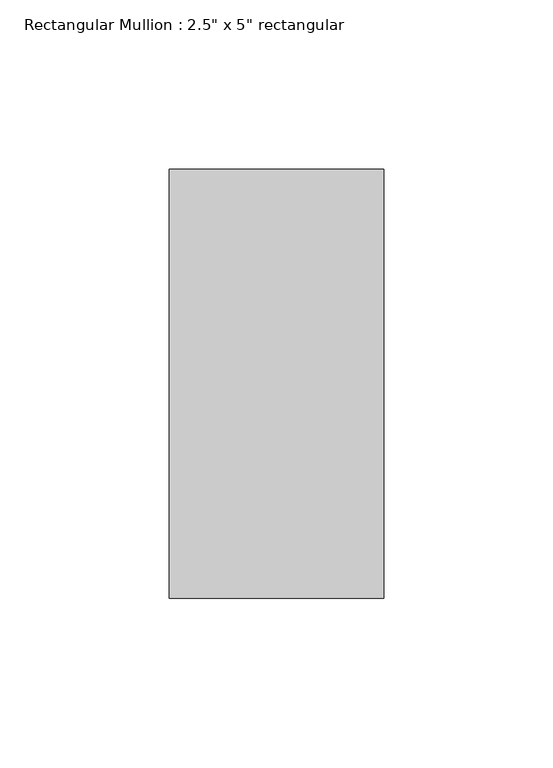
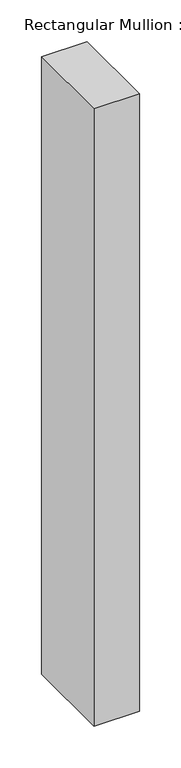
"""IFC4 building model written with IfcOpenShell, lengths in millimetres: member geometry."""

from ifc_helpers import new_model, si_unit, frame, origin, place, context, project, spatial, polyline, outline, extrude, source, transform, mapped, element, save


def member_17752cef(model_context):
    return source(origin(), model_context, "Body", "SweptSolid", [
        extrude(outline(polyline([(0.0, 63.5), (0.0, -63.5), (-63.5, -63.5), (-63.5, 63.5), (0.0, 63.5)])), frame((0.0, 0.0, -908.05), z_axis=(0.0, 0.0, 1.0), x_axis=(1.0, 0.0, 0.0)), (0.0, 0.0, 1.0), 908.05),
    ])


if __name__ == "__main__":
    model = new_model("IFC4")
    model_context = context("Model", 3, world=origin())
    ifc_project = project(units=[si_unit("LENGTHUNIT", "METRE", prefix="MILLI")], contexts=[model_context])
    site = spatial("IfcSite", under=ifc_project)
    building = spatial("IfcBuilding", under=site)
    placement = place(None, origin())
    member_shape = member_17752cef(model_context)
    element("IfcMember", 1, ObjectType="Rectangular Mullion : 2.5\" x 5\" rectangular", at=placement, inside=building, context=model_context, shape_type="MappedRepresentation", body=[
        mapped(member_shape, transform((0.0, 0.0, 0.0), x_axis=(1.0, 0.0, 0.0), y_axis=(0.0, 1.0, 0.0), z_axis=(0.0, 0.0, 1.0))),
    ])
    save(model, "model.ifc")
